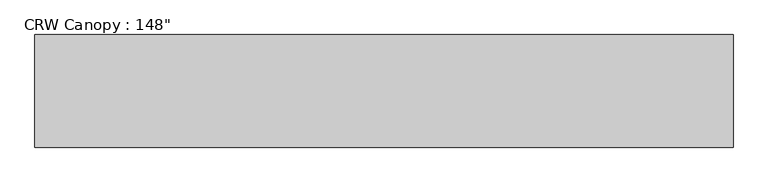
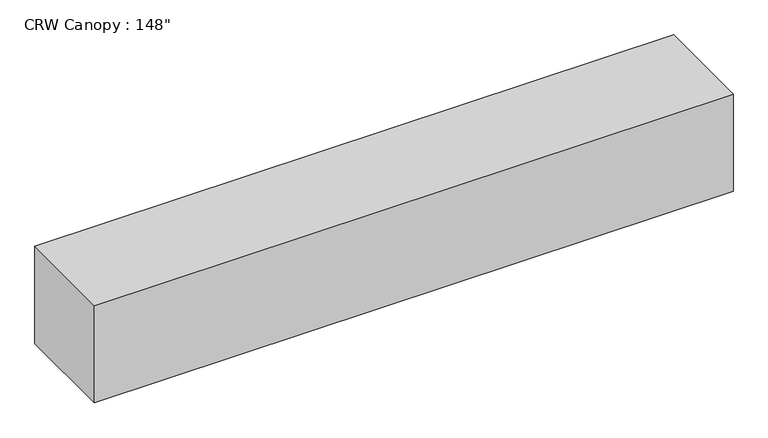
"""IFC4 building model written with IfcOpenShell, lengths in millimetres: proxy geometry."""

from ifc_helpers import new_model, si_unit, frame, origin, place, context, project, spatial, polyline, outline, extrude, source, transform, mapped, element, save


def proxy_16cd77a6(model_context):
    return source(origin(), model_context, "Body", "SweptSolid", [
        extrude(outline(polyline([(2151.459375, -304.8), (-1626.790625, -304.8), (-1626.790625, 304.8), (2151.459375, 304.8), (2151.459375, -304.8)])), frame((0.0, 0.0, 2286.0), z_axis=(0.0, 0.0, 1.0), x_axis=(1.0, 0.0, 0.0)), (0.0, 0.0, 1.0), 609.6),
    ])


if __name__ == "__main__":
    model = new_model("IFC4")
    model_context = context("Model", 3, world=origin())
    ifc_project = project(units=[si_unit("LENGTHUNIT", "METRE", prefix="MILLI")], contexts=[model_context])
    site = spatial("IfcSite", under=ifc_project)
    building = spatial("IfcBuilding", under=site)
    placement = place(None, origin())
    proxy_shape = proxy_16cd77a6(model_context)
    element("IfcBuildingElementProxy", 1, Name="CRW Canopy : 148\"", ObjectType="CRW Canopy : 148\"", at=placement, inside=building, context=model_context, shape_type="MappedRepresentation", body=[
        mapped(proxy_shape, transform((0.0, 0.0, 0.0), x_axis=(1.0, 0.0, 0.0), y_axis=(0.0, 1.0, 0.0), z_axis=(0.0, 0.0, 1.0))),
    ])
    save(model, "model.ifc")
